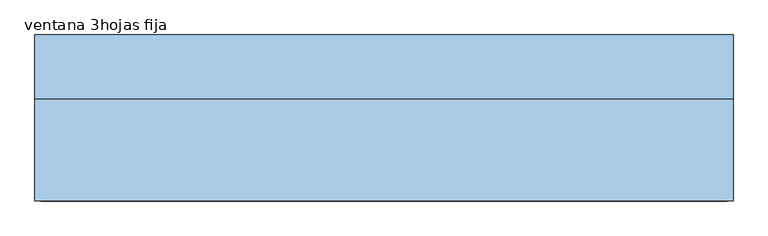
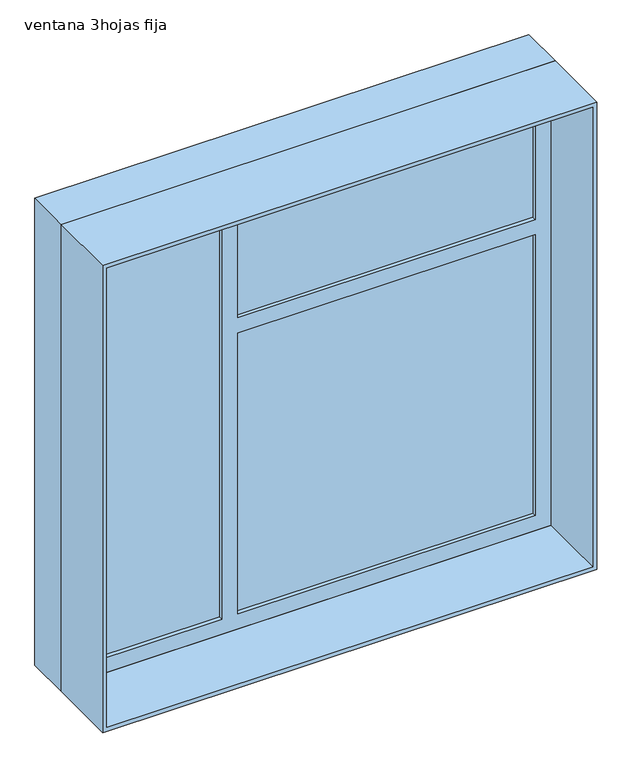
"""IFC4 building model written with IfcOpenShell, lengths in millimetres: window geometry, ventana 3hojas fija."""

from ifc_helpers import new_model, si_unit, frame, origin, place, context, project, spatial, polyline, outline, extrude, source, transform, mapped, element, save


def ventana_3hojas_fija_edd71644(model_context):
    return source(origin(), model_context, "Body", "SweptSolid", [
        extrude(outline(polyline([(2650.0, 925.0), (2650.0, -925.0), (800.0, -925.0), (800.0, 925.0), (2650.0, 925.0)]), holes=[polyline([(815.0, 910.0), (815.0, -910.0), (2635.0, -910.0), (2635.0, 910.0), (815.0, 910.0)])]), frame((0.0, -145.0, 0.0), z_axis=(0.0, 1.0, 0.0), x_axis=(0.0, 0.0, 1.0)), (0.0, 0.0, 1.0), 270.0),
        extrude(outline(polyline([(2650.0, -925.0), (800.0, -925.0), (800.0, 925.0), (2650.0, 925.0), (2650.0, -925.0)]), holes=[polyline([(815.0, 910.0), (815.0, -910.0), (2635.0, -910.0), (2635.0, 910.0), (815.0, 910.0)])]), frame((0.0, 125.0, 0.0), z_axis=(0.0, 1.0, 0.0), x_axis=(0.0, 0.0, 1.0)), (0.0, 0.0, 1.0), 170.0),
        extrude(outline(polyline([(-323.3, 140.0), (-850.0, 140.0), (-850.0, 170.0), (-323.3, 170.0), (-323.3, 140.0)])), frame((0.0, 0.0, 875.0), z_axis=(0.0, 0.0, 1.0), x_axis=(1.0, 0.0, 0.0)), (0.0, 0.0, 1.0), 1700.0),
        extrude(outline(polyline([(850.0, 140.0), (-263.3, 140.0), (-263.3, 170.0), (850.0, 170.0), (850.0, 140.0)])), frame((0.0, 0.0, 2048.3), z_axis=(0.0, 0.0, 1.0), x_axis=(1.0, 0.0, 0.0)), (0.0, 0.0, 1.0), 526.7),
        extrude(outline(polyline([(850.0, 140.0), (-263.3, 140.0), (-263.3, 170.0), (850.0, 170.0), (850.0, 140.0)])), frame((0.0, 0.0, 875.0), z_axis=(0.0, 0.0, 1.0), x_axis=(1.0, 0.0, 0.0)), (0.0, 0.0, 1.0), 1113.3),
        extrude(outline(polyline([(2635.0, -910.0), (815.0, -910.0), (815.0, 910.0), (2635.0, 910.0), (2635.0, -910.0)]), holes=[polyline([(1988.3, 850.0), (875.0, 850.0), (875.0, -263.3), (1988.3, -263.3), (1988.3, 850.0)]), polyline([(2575.0, -850.0), (2575.0, -323.3), (875.0, -323.3), (875.0, -850.0), (2575.0, -850.0)]), polyline([(2575.0, -263.3), (2575.0, 850.0), (2048.3, 850.0), (2048.3, -263.3), (2575.0, -263.3)])]), frame((0.0, 125.0, 0.0), z_axis=(0.0, 1.0, 0.0), x_axis=(0.0, 0.0, 1.0)), (0.0, 0.0, 1.0), 60.0),
    ])


if __name__ == "__main__":
    model = new_model("IFC4")
    model_context = context("Model", 3, world=origin())
    ifc_project = project(units=[si_unit("LENGTHUNIT", "METRE", prefix="MILLI")], contexts=[model_context])
    site = spatial("IfcSite", under=ifc_project)
    building = spatial("IfcBuilding", under=site)
    placement = place(None, origin())
    ventana_3hojas_fija_shape = ventana_3hojas_fija_edd71644(model_context)
    element("IfcWindow", 1, ObjectType="ventana 3hojas fija", at=placement, inside=building, context=model_context, shape_type="MappedRepresentation", body=[
        mapped(ventana_3hojas_fija_shape, transform((0.0, 0.0, 0.0), x_axis=(1.0, 0.0, 0.0), y_axis=(0.0, 1.0, 0.0), z_axis=(0.0, 0.0, 1.0))),
    ])
    save(model, "model.ifc")
